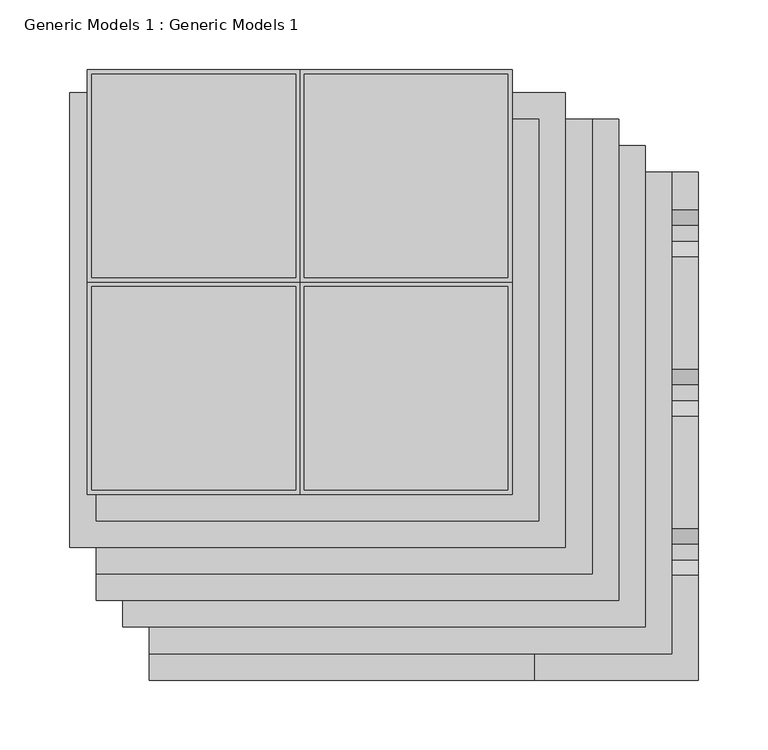
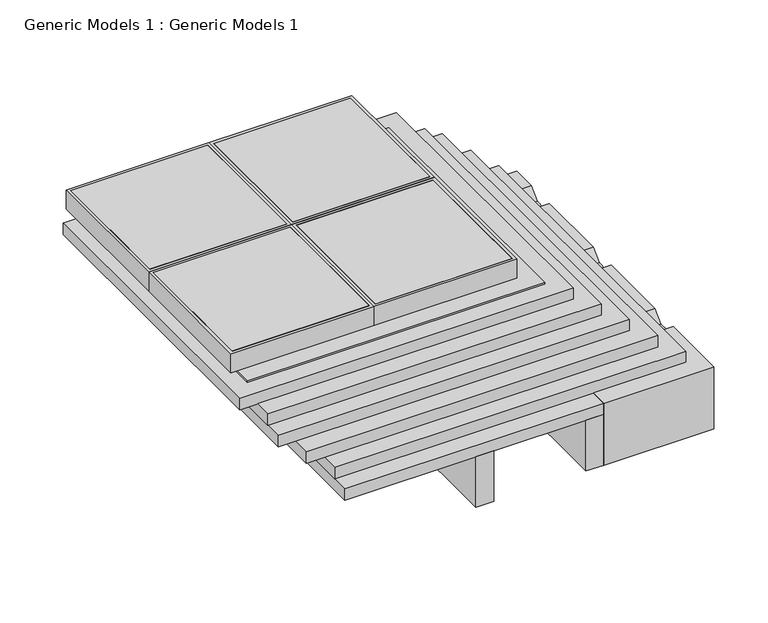
"""IFC4 building model written with IfcOpenShell, lengths in millimetres: proxy geometry, Generic Models 1 : Generic Models 1."""

import ifcopenshell
import ifcopenshell.guid

model = None  # the IFC model being written
_history = None  # IfcOwnerHistory: only IFC2X3 demands one
_inside = {}  # id of a spatial element -> (the spatial element, [elements in it])
_under = {}  # id of a project, library or spatial element -> (it, [spatial elements below it])
_declared = {}  # id of a project -> (the project, [libraries it declares])
_typed = {}  # id of a type object -> (the type object, [elements of that type])
_made_of = {}  # id of a material, layer set ... -> (it, [elements and type objects made of it])


def new_model(schema):
    """Start an empty IFC model of exactly this schema.

    Asked for "IFC4X3", IfcOpenShell would pick the latest addendum, in which some entities
    have other attributes; the version numbers below select the first issue.
    IFC2X3 requires an IfcOwnerHistory on every rooted entity: one is made here for all.
    """
    global model, _history
    if schema == "IFC4X3":
        model = ifcopenshell.file(schema_version=(4, 3, 0, 0))
    else:
        model = ifcopenshell.file(schema=schema)
    _inside.clear()
    _under.clear()
    _declared.clear()
    _typed.clear()
    _made_of.clear()
    _history = None
    if model.schema == "IFC2X3":
        org = make("IfcOrganization", Name="unknown")
        user = make(
            "IfcPersonAndOrganization",
            ThePerson=make("IfcPerson", FamilyName="unknown"),
            TheOrganization=org,
        )
        app = make(
            "IfcApplication",
            ApplicationDeveloper=org,
            Version="unknown",
            ApplicationFullName="unknown",
            ApplicationIdentifier="unknown",
        )
        _history = make(
            "IfcOwnerHistory",
            OwningUser=user,
            OwningApplication=app,
            ChangeAction="ADDED",
            CreationDate=0,
        )
    return model


def make(cls, **values):
    """One entity of the class cls with the attributes given. An attribute that is None is left unset."""
    return model.create_entity(
        cls, **{name: value for name, value in values.items() if value is not None}
    )


def rooted(cls, **values):
    """An entity with a GlobalId (a new one), such as an element, a storey or a relation."""
    return make(cls, GlobalId=ifcopenshell.guid.new(), OwnerHistory=_history, **values)


def si_unit(unit_type, name, prefix=None):
    """IfcSIUnit, for example si_unit("LENGTHUNIT", "METRE", prefix="MILLI")."""
    return make("IfcSIUnit", UnitType=unit_type, Prefix=prefix, Name=name)


def assignment(units):
    """IfcUnitAssignment: the units of a project."""
    return None if units is None else make("IfcUnitAssignment", Units=units)


def point(xyz):
    """IfcCartesianPoint."""
    return None if xyz is None else make("IfcCartesianPoint", Coordinates=xyz)


def direction(xyz):
    """IfcDirection."""
    return None if xyz is None else make("IfcDirection", DirectionRatios=xyz)


def frame(location, z_axis=None, x_axis=None):
    """IfcAxis2Placement3D, a coordinate frame: its origin and axes. An axis left out is left unset."""
    return make(
        "IfcAxis2Placement3D",
        Location=point(location),
        Axis=direction(z_axis),
        RefDirection=direction(x_axis),
    )


def origin():
    """The frame at (0, 0, 0) with its axes left unset."""
    return frame((0.0, 0.0, 0.0))


def place(relative_to, where):
    """IfcLocalPlacement: puts the frame where relative to a parent placement (None: the world)."""
    return make(
        "IfcLocalPlacement", PlacementRelTo=relative_to, RelativePlacement=where
    )


def context(
    kind, dimensions, precision=None, world=None, true_north=None, identifier=None
):
    """IfcGeometricRepresentationContext, for example the 3D "Model" context."""
    return make(
        "IfcGeometricRepresentationContext",
        ContextIdentifier=identifier,
        ContextType=kind,
        CoordinateSpaceDimension=dimensions,
        Precision=precision,
        WorldCoordinateSystem=world,
        TrueNorth=true_north,
    )


def project(units=None, contexts=None):
    """IfcProject with its units and contexts."""
    return rooted(
        "IfcProject",
        Name="project",
        RepresentationContexts=contexts,
        UnitsInContext=assignment(units),
    )


def spatial(cls, under=None, at=None, **own):
    """A site, building, storey or space (cls), placed at a placement, below another one or the project."""
    s = rooted(cls, ObjectPlacement=at, **own)
    if under is not None:
        _under.setdefault(under.id(), (under, []))[1].append(s)
    return s


def polyline(points):
    """IfcPolyline through the points."""
    return make("IfcPolyline", Points=[point(p) for p in points])


def outline(outer, holes=None, kind="AREA"):
    """IfcArbitraryClosedProfileDef: a profile drawn as a closed curve; with holes, ...WithVoids."""
    if holes is None:
        return make("IfcArbitraryClosedProfileDef", ProfileType=kind, OuterCurve=outer)
    return make(
        "IfcArbitraryProfileDefWithVoids",
        ProfileType=kind,
        OuterCurve=outer,
        InnerCurves=holes,
    )


def extrude(swept, where, along, depth):
    """IfcExtrudedAreaSolid: the profile swept, set in the frame where, extruded along a direction by depth."""
    return make(
        "IfcExtrudedAreaSolid",
        SweptArea=swept,
        Position=where,
        ExtrudedDirection=direction(along),
        Depth=depth,
    )


def faces_of(points, faces, orient=None, outer=None):
    """IfcFace entities. A face is a list of loops; a loop is a list of indices into points, from 0.

    orient and outer hold one flag for each loop. By default every Orientation is true, the
    first loop of a face is its IfcFaceOuterBound and the others are IfcFaceBound.
    """
    made = []
    for i, loops in enumerate(faces):
        bounds = []
        for j, loop in enumerate(loops):
            is_outer = j == 0 if outer is None else outer[i][j]
            bounds.append(
                make(
                    "IfcFaceOuterBound" if is_outer else "IfcFaceBound",
                    Bound=make("IfcPolyLoop", Polygon=[points[k] for k in loop]),
                    Orientation=True if orient is None else orient[i][j],
                )
            )
        made.append(make("IfcFace", Bounds=bounds))
    return made


def faceted_brep(points, faces, orient=None, outer=None, voids=None):
    """IfcFacetedBrep: a solid bounded by flat faces; with voids (closed shells), ...WithVoids."""
    shared = [point(p) for p in points]
    hull = make("IfcClosedShell", CfsFaces=faces_of(shared, faces, orient, outer))
    if voids is None:
        return make("IfcFacetedBrep", Outer=hull)
    return make(
        "IfcFacetedBrepWithVoids",
        Outer=hull,
        Voids=[
            make(cls, CfsFaces=faces_of(shared, fs, o, b)) for cls, fs, o, b in voids
        ],
    )


def shape(context_of_items, identifier, shape_type, items):
    """IfcShapeRepresentation: the items that make up one representation, for example the "Body"."""
    return make(
        "IfcShapeRepresentation",
        ContextOfItems=context_of_items,
        RepresentationIdentifier=identifier,
        RepresentationType=shape_type,
        Items=items,
    )


def source(mapping_origin, context_of_items, identifier, shape_type, items):
    """IfcRepresentationMap: a shape defined once, which mapped items show again and again."""
    return make(
        "IfcRepresentationMap",
        MappingOrigin=mapping_origin,
        MappedRepresentation=shape(context_of_items, identifier, shape_type, items),
    )


def transform(
    local_origin,
    x_axis=None,
    y_axis=None,
    z_axis=None,
    scale=None,
    scale2=None,
    scale3=None,
    uniform=True,
):
    """IfcCartesianTransformationOperator3D, or its non-uniform kind. x_axis, y_axis, z_axis: its Axis1, 2, 3."""
    if uniform:
        return make(
            "IfcCartesianTransformationOperator3D",
            Axis1=direction(x_axis),
            Axis2=direction(y_axis),
            LocalOrigin=point(local_origin),
            Scale=scale,
            Axis3=direction(z_axis),
        )
    return make(
        "IfcCartesianTransformationOperator3DnonUniform",
        Axis1=direction(x_axis),
        Axis2=direction(y_axis),
        LocalOrigin=point(local_origin),
        Scale=scale,
        Axis3=direction(z_axis),
        Scale2=scale2,
        Scale3=scale3,
    )


def mapped(mapping_source, mapping_target):
    """IfcMappedItem: shows the shape of a source again, moved by a transform."""
    return make(
        "IfcMappedItem", MappingSource=mapping_source, MappingTarget=mapping_target
    )


def made_of(thing, what):
    """Note that an element or type object is made of a material, layer set ...; save() writes the relation."""
    if what is not None:
        _made_of.setdefault(what.id(), (what, []))[1].append(thing)
    return thing


def element(
    cls,
    number,
    at=None,
    inside=None,
    cuts=None,
    type_object=None,
    material=None,
    context=None,
    identifier="Body",
    shape_type=None,
    held_by="IfcProductDefinitionShape",
    body=None,
    shapes=None,
    **own,
):
    """One element of the class cls, such as IfcWall. Its Tag is "e" and its number.

    at: its placement. inside: the storey or other place that contains it. cuts: it is an
    opening in that element (IfcRelVoidsElement). A single representation is given by context,
    identifier, shape_type and body (its items); several are given by shapes. held_by: the class
    of the entity that holds the representations. save() writes the other relations.
    """
    e = rooted(cls, Tag="e%d" % number, ObjectPlacement=at, **own)
    if body is not None:
        shapes = [shape(context, identifier, shape_type, body)]
    if shapes is not None:
        e.Representation = make(held_by, Representations=shapes)
    if inside is not None:
        _inside.setdefault(inside.id(), (inside, []))[1].append(e)
    if cuts is not None:
        rooted(
            "IfcRelVoidsElement", RelatingBuildingElement=cuts, RelatedOpeningElement=e
        )
    if type_object is not None:
        _typed.setdefault(type_object.id(), (type_object, []))[1].append(e)
    return made_of(e, material)


def aggregate(whole, parts):
    """IfcRelAggregates: a whole, such as a stair, and the parts it consists of."""
    return rooted("IfcRelAggregates", RelatingObject=whole, RelatedObjects=parts)


def save(model, path):
    """Write the relations noted so far, then the file.

    IfcRelAggregates (storeys below a building ...), IfcRelContainedInSpatialStructure (elements
    in a storey), IfcRelDefinesByType, IfcRelAssociatesMaterial and IfcRelDeclares: one each for
    every whole, place, type object, material and project.
    """
    for whole, parts in _under.values():
        aggregate(whole, parts)
    for where, things in _inside.values():
        rooted(
            "IfcRelContainedInSpatialStructure",
            RelatedElements=things,
            RelatingStructure=where,
        )
    for kind, things in _typed.values():
        rooted("IfcRelDefinesByType", RelatedObjects=things, RelatingType=kind)
    for what, things in _made_of.values():
        rooted("IfcRelAssociatesMaterial", RelatedObjects=things, RelatingMaterial=what)
    for by, libraries in _declared.values():
        rooted("IfcRelDeclares", RelatingContext=by, RelatedDefinitions=libraries)
    model.write(path)


def generic_models_1_generic_models_1_e57efe05(model_context):
    return source(origin(), model_context, "Body", "SolidModel", [
        extrude(outline(polyline([(3.2045604, 288.8954396), (-142.875, 288.8954396), (-142.875, 435.0045604), (3.2045604, 435.0045604), (3.2045604, 288.8954396)])), frame((0.0, 0.0, 169.8625), z_axis=(0.0, 0.0, 1.0), x_axis=(1.0, 0.0, 0.0)), (0.0, 0.0, 1.0), 19.05),
        extrude(outline(polyline([(-142.875, 282.6045604), (3.2045604, 282.6045604), (3.2045604, 136.4954396), (-142.875, 136.4954396), (-142.875, 282.6045604)])), frame((0.0, 0.0, 169.8625), z_axis=(0.0, 0.0, 1.0), x_axis=(1.0, 0.0, 0.0)), (0.0, 0.0, 1.0), 19.05),
        extrude(outline(polyline([(155.575, 288.8954396), (9.4954396, 288.8954396), (9.4954396, 435.0045604), (155.575, 435.0045604), (155.575, 288.8954396)])), frame((0.0, 0.0, 169.8625), z_axis=(0.0, 0.0, 1.0), x_axis=(1.0, 0.0, 0.0)), (0.0, 0.0, 1.0), 19.05),
        faceted_brep([(3.2045604, 435.0045604, 188.9125), (3.2045604, 435.0045604, 169.8625), (3.2045604, 288.8954396, 169.8625), (3.2045604, 288.8954396, 188.9125), (6.35, 438.15, 167.48125), (6.35, 438.15, 188.9125), (6.35, 285.75, 188.9125), (6.35, 285.75, 167.48125), (-142.9045604, 288.8954396, 169.8625), (-142.9045604, 288.8954396, 188.9125), (-146.05, 285.75, 188.9125), (-146.05, 285.75, 167.48125), (-142.9045604, 435.0045604, 169.8625), (-142.9045604, 435.0045604, 188.9125), (-146.05, 438.15, 188.9125), (-146.05, 438.15, 167.48125)], [[[0, 1, 2, 3]], [[4, 5, 6, 7]], [[3, 2, 8, 9]], [[7, 6, 10, 11]], [[9, 8, 12, 13]], [[11, 10, 14, 15]], [[5, 14, 10, 6], [3, 9, 13, 0]], [[13, 12, 1, 0]], [[1, 12, 8, 2]], [[7, 11, 15, 4]], [[15, 14, 5, 4]]]),
        faceted_brep([(3.2045604, 136.4954396, 169.8625), (3.2045604, 136.4954396, 188.9125), (3.2045604, 282.6045604, 188.9125), (3.2045604, 282.6045604, 169.8625), (6.35, 133.35, 188.9125), (6.35, 133.35, 167.48125), (6.35, 285.75, 167.48125), (6.35, 285.75, 188.9125), (-142.9045604, 282.6045604, 188.9125), (-142.9045604, 282.6045604, 169.8625), (-146.05, 285.75, 167.48125), (-146.05, 285.75, 188.9125), (-142.9045604, 136.4954396, 188.9125), (-142.9045604, 136.4954396, 169.8625), (-146.05, 133.35, 167.48125), (-146.05, 133.35, 188.9125)], [[[0, 1, 2, 3]], [[4, 5, 6, 7]], [[3, 2, 8, 9]], [[7, 6, 10, 11]], [[9, 8, 12, 13]], [[11, 10, 14, 15]], [[7, 11, 15, 4], [1, 12, 8, 2]], [[13, 12, 1, 0]], [[3, 9, 13, 0]], [[5, 14, 10, 6]], [[15, 14, 5, 4]]]),
        faceted_brep([(155.6045604, 288.8954396, 188.9125), (155.6045604, 288.8954396, 169.8625), (9.4954396, 288.8954396, 169.8625), (9.4954396, 288.8954396, 188.9125), (158.75, 285.75, 167.48125), (158.75, 285.75, 188.9125), (6.35, 285.75, 188.9125), (6.35, 285.75, 167.48125), (9.4954396, 435.0045604, 169.8625), (9.4954396, 435.0045604, 188.9125), (6.35, 438.15, 188.9125), (6.35, 438.15, 167.48125), (155.6045604, 435.0045604, 169.8625), (155.6045604, 435.0045604, 188.9125), (158.75, 438.15, 188.9125), (158.75, 438.15, 167.48125)], [[[0, 1, 2, 3]], [[4, 5, 6, 7]], [[3, 2, 8, 9]], [[7, 6, 10, 11]], [[9, 8, 12, 13]], [[11, 10, 14, 15]], [[5, 14, 10, 6], [3, 9, 13, 0]], [[13, 12, 1, 0]], [[1, 12, 8, 2]], [[7, 11, 15, 4]], [[15, 14, 5, 4]]]),
        faceted_brep([(155.6045604, 282.6045604, 169.8625), (155.6045604, 282.6045604, 188.9125), (9.4954396, 282.6045604, 188.9125), (9.4954396, 282.6045604, 169.8625), (158.75, 285.75, 188.9125), (158.75, 285.75, 167.48125), (6.35, 285.75, 167.48125), (6.35, 285.75, 188.9125), (9.4954396, 136.4954396, 188.9125), (9.4954396, 136.4954396, 169.8625), (6.35, 133.35, 167.48125), (6.35, 133.35, 188.9125), (155.6045604, 136.4954396, 188.9125), (155.6045604, 136.4954396, 169.8625), (158.75, 133.35, 167.48125), (158.75, 133.35, 188.9125)], [[[0, 1, 2, 3]], [[4, 5, 6, 7]], [[3, 2, 8, 9]], [[7, 6, 10, 11]], [[9, 8, 12, 13]], [[11, 10, 14, 15]], [[7, 11, 15, 4], [1, 12, 8, 2]], [[13, 12, 1, 0]], [[3, 9, 13, 0]], [[5, 14, 10, 6]], [[15, 14, 5, 4]]]),
        extrude(outline(polyline([(9.4954396, 282.6045604), (155.575, 282.6045604), (155.575, 136.4954396), (9.4954396, 136.4954396), (9.4954396, 282.6045604)])), frame((0.0, 0.0, 169.8625), z_axis=(0.0, 0.0, 1.0), x_axis=(1.0, 0.0, 0.0)), (0.0, 0.0, 1.0), 19.05),
        extrude(outline(polyline([(-139.7, 402.6288588), (215.9, 402.6288588), (215.9, 76.2), (-139.7, 76.2), (-139.7, 402.6288588)])), frame((0.0, 0.0, 140.49375), z_axis=(0.0, 0.0, 1.0), x_axis=(1.0, 0.0, 0.0)), (0.0, 0.0, 1.0), 12.7),
        extrude(outline(polyline([(-139.7, 402.6288588), (234.95, 402.6288588), (234.95, 57.15), (-139.7, 57.15), (-139.7, 402.6288588)])), frame((0.0, 0.0, 127.79375), z_axis=(0.0, 0.0, 1.0), x_axis=(1.0, 0.0, 0.0)), (0.0, 0.0, 1.0), 12.7),
        extrude(outline(polyline([(-120.65, 383.5788588), (254.0, 383.5788588), (254.0, 38.1), (-120.65, 38.1), (-120.65, 383.5788588)])), frame((0.0, 0.0, 114.3), z_axis=(0.0, 0.0, 1.0), x_axis=(1.0, 0.0, 0.0)), (0.0, 0.0, 1.0), 12.7),
        extrude(outline(polyline([(228.670593, 44.45), (196.920593, 76.2), (201.410721, 76.2), (231.845593, 45.7651281), (262.2804649, 76.2), (266.770593, 76.2), (235.020593, 44.45), (228.670593, 44.45)])), frame((287.3375, 0.0, 0.0), z_axis=(1.0, 0.0, 0.0), x_axis=(0.0, 1.0, 0.0)), (0.0, 0.0, 1.0), 3.175),
        extrude(outline(polyline([(110.7911863, 44.45), (79.0411863, 76.2), (83.5313144, 76.2), (113.9661863, 45.7651281), (144.4010583, 76.2), (148.8911863, 76.2), (117.1411863, 44.45), (110.7911863, 44.45)])), frame((287.3375, 0.0, 0.0), z_axis=(1.0, 0.0, 0.0), x_axis=(0.0, 1.0, 0.0)), (0.0, 0.0, 1.0), 3.175),
        extrude(outline(polyline([(364.5288588, 88.9), (364.5288588, 76.2), (25.4, 76.2), (12.7, 88.9), (364.5288588, 88.9)])), frame((285.75, 0.0, 0.0), z_axis=(1.0, 0.0, 0.0), x_axis=(0.0, 1.0, 0.0)), (0.0, 0.0, 1.0), 6.35),
        extrude(outline(polyline([(364.5288588, 31.75), (69.85, 31.75), (57.15, 44.45), (364.5288588, 44.45), (364.5288588, 31.75)])), frame((285.75, 0.0, 0.0), z_axis=(1.0, 0.0, 0.0), x_axis=(0.0, 1.0, 0.0)), (0.0, 0.0, 1.0), 6.35),
        extrude(outline(polyline([(75.3364053, 101.6), (86.4489053, 90.4875), (97.8337772, 90.4875), (108.9462772, 101.6), (189.6364053, 101.6), (200.7489053, 90.4875), (212.1337772, 90.4875), (223.2462772, 101.6), (303.9364053, 101.6), (315.0489053, 90.4875), (326.4337772, 90.4875), (337.5462772, 101.6), (364.5288588, 101.6), (364.5288588, 100.0125), (338.2038412, 100.0125), (327.0913412, 88.9), (314.3913412, 88.9), (303.2788412, 100.0125), (223.9038412, 100.0125), (212.7913412, 88.9), (200.0913412, 88.9), (188.9788412, 100.0125), (109.6038412, 100.0125), (98.4913412, 88.9), (85.7913412, 88.9), (74.6788412, 100.0125), (1.5875, 100.0125), (0.0, 101.6), (75.3364053, 101.6)])), frame((174.625, 0.0, 0.0), z_axis=(1.0, 0.0, 0.0), x_axis=(0.0, 1.0, 0.0)), (0.0, 0.0, 1.0), 117.475),
        extrude(outline(polyline([(0.0, 31.75), (0.0, 101.6), (69.85, 31.75), (0.0, 31.75)])), frame((174.625, 0.0, 0.0), z_axis=(1.0, 0.0, 0.0), x_axis=(0.0, 1.0, 0.0)), (0.0, 0.0, 1.0), 117.475),
        extrude(outline(polyline([(-139.7, 402.6288588), (177.8, 402.6288588), (177.8, 114.3), (-139.7, 114.3), (-139.7, 402.6288588)])), frame((0.0, 0.0, 165.89375), z_axis=(0.0, 0.0, 1.0), x_axis=(1.0, 0.0, 0.0)), (0.0, 0.0, 1.0), 1.5875),
        extrude(outline(polyline([(-158.75, 421.6788588), (196.85, 421.6788588), (196.85, 95.25), (-158.75, 95.25), (-158.75, 421.6788588)])), frame((0.0, 0.0, 153.19375), z_axis=(0.0, 0.0, 1.0), x_axis=(1.0, 0.0, 0.0)), (0.0, 0.0, 1.0), 12.7),
        extrude(outline(polyline([(-101.6, 364.5288588), (273.05, 364.5288588), (273.05, 19.05), (-101.6, 19.05), (-101.6, 364.5288588)])), frame((0.0, 0.0, 101.6), z_axis=(0.0, 0.0, 1.0), x_axis=(1.0, 0.0, 0.0)), (0.0, 0.0, 1.0), 12.7),
        extrude(outline(polyline([(57.15, 0.0), (38.1, 0.0), (38.1, 261.3017557), (57.15, 261.3017557), (57.15, 0.0)])), frame((0.0, 0.0, 31.75), z_axis=(0.0, 0.0, 1.0), x_axis=(1.0, 0.0, 0.0)), (0.0, 0.0, 1.0), 57.15),
        extrude(outline(polyline([(174.625, 0.0), (155.575, 0.0), (155.575, 261.3017557), (174.625, 261.3017557), (174.625, 0.0)])), frame((0.0, 0.0, 31.75), z_axis=(0.0, 0.0, 1.0), x_axis=(1.0, 0.0, 0.0)), (0.0, 0.0, 1.0), 57.15),
        extrude(outline(polyline([(-101.6, 364.5288588), (174.625, 364.5288588), (174.625, 0.0), (-101.6, 0.0), (-101.6, 364.5288588)])), frame((0.0, 0.0, 88.9), z_axis=(0.0, 0.0, 1.0), x_axis=(1.0, 0.0, 0.0)), (0.0, 0.0, 1.0), 12.7),
    ])


if __name__ == "__main__":
    model = new_model("IFC4")
    model_context = context("Model", 3, world=origin())
    ifc_project = project(units=[si_unit("LENGTHUNIT", "METRE", prefix="MILLI")], contexts=[model_context])
    site = spatial("IfcSite", under=ifc_project)
    building = spatial("IfcBuilding", under=site)
    placement = place(None, origin())
    generic_models_1_generic_models_1_shape = generic_models_1_generic_models_1_e57efe05(model_context)
    element("IfcBuildingElementProxy", 1, Name="Generic Models 1 : Generic Models 1", ObjectType="Generic Models 1 : Generic Models 1", at=placement, inside=building, context=model_context, shape_type="MappedRepresentation", body=[
        mapped(generic_models_1_generic_models_1_shape, transform((0.0, 0.0, 0.0), x_axis=(1.0, 0.0, 0.0), y_axis=(0.0, 1.0, 0.0), z_axis=(0.0, 0.0, 1.0))),
    ])
    save(model, "model.ifc")
